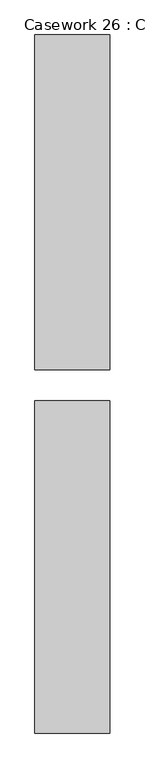
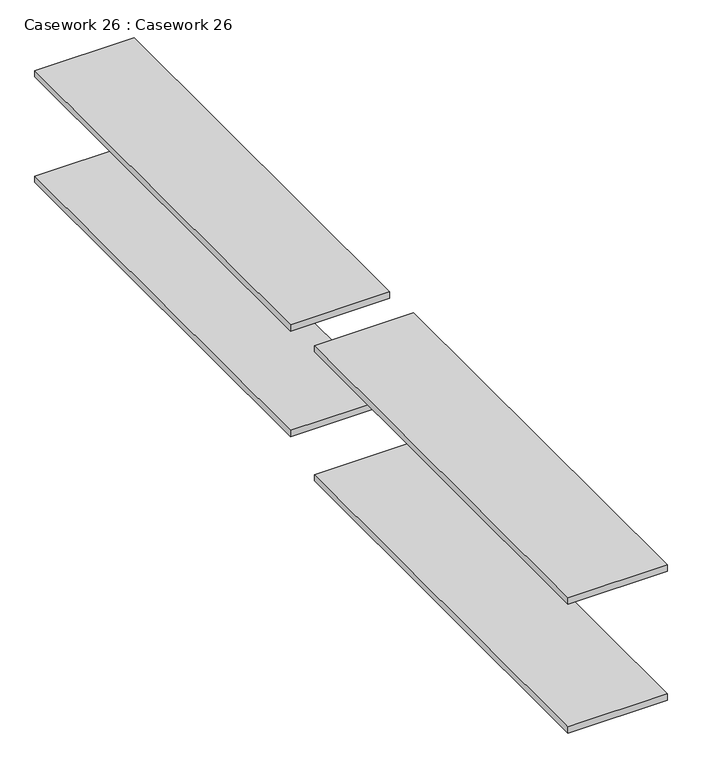
"""IFC4 building model written with IfcOpenShell, lengths in millimetres: furniture geometry, Casework 26 : Casework 26."""

from ifc_helpers import new_model, si_unit, frame, origin, place, context, project, spatial, polyline, outline, extrude, source, transform, mapped, element, save


def casework_26_casework_26_55538c6b(model_context):
    return source(origin(), model_context, "Body", "SweptSolid", [
        extrude(outline(polyline([(-25217.1375594, 6858.5343226), (-25217.1375594, 5508.5779724), (-25521.5970711, 5508.5779724), (-25521.5970711, 6858.5343226), (-25217.1375594, 6858.5343226)])), frame((0.0, 0.0, -4691.5355225), z_axis=(0.0, 0.0, 1.0), x_axis=(1.0, 0.0, 0.0)), (0.0, 0.0, 1.0), 20.4896518),
        extrude(outline(polyline([(-25217.1375594, 6858.5343226), (-25217.1375594, 5508.5779724), (-25521.5970711, 5508.5779724), (-25521.5970711, 6858.5343226), (-25217.1375594, 6858.5343226)])), frame((0.0, 0.0, -5110.6355225), z_axis=(0.0, 0.0, 1.0), x_axis=(1.0, 0.0, 0.0)), (0.0, 0.0, 1.0), 20.4896518),
        extrude(outline(polyline([(-25217.1375594, 8346.5805424), (-25217.1375594, 6985.5343226), (-25521.5970711, 6985.5343226), (-25521.5970711, 8346.5805424), (-25217.1375594, 8346.5805424)])), frame((0.0, 0.0, -5043.6533487), z_axis=(0.0, 0.0, 1.0), x_axis=(1.0, 0.0, 0.0)), (0.0, 0.0, 1.0), 20.4896518),
        extrude(outline(polyline([(-25217.1375594, 8346.5805424), (-25217.1375594, 6985.5343226), (-25521.5970711, 6985.5343226), (-25521.5970711, 8346.5805424), (-25217.1375594, 8346.5805424)])), frame((0.0, 0.0, -4700.7533487), z_axis=(0.0, 0.0, 1.0), x_axis=(1.0, 0.0, 0.0)), (0.0, 0.0, 1.0), 20.4896518),
    ])


if __name__ == "__main__":
    model = new_model("IFC4")
    model_context = context("Model", 3, world=origin())
    ifc_project = project(units=[si_unit("LENGTHUNIT", "METRE", prefix="MILLI")], contexts=[model_context])
    site = spatial("IfcSite", under=ifc_project)
    building = spatial("IfcBuilding", under=site)
    placement = place(None, origin())
    casework_26_casework_26_shape = casework_26_casework_26_55538c6b(model_context)
    element("IfcFurniture", 1, ObjectType="Casework 26 : Casework 26", at=placement, inside=building, context=model_context, shape_type="MappedRepresentation", body=[
        mapped(casework_26_casework_26_shape, transform((0.0, 0.0, 0.0), x_axis=(1.0, 0.0, 0.0), y_axis=(0.0, 1.0, 0.0), z_axis=(0.0, 0.0, 1.0))),
    ])
    save(model, "model.ifc")
